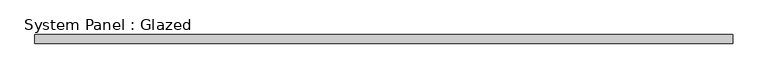
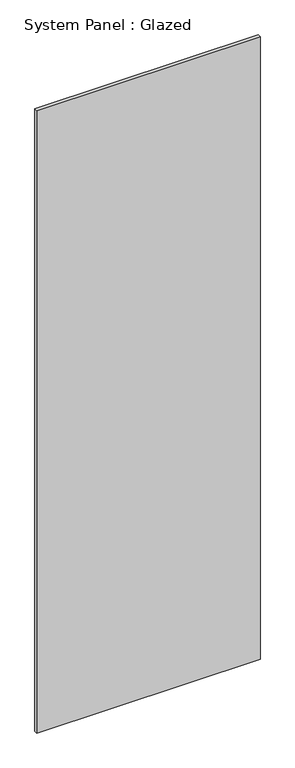
"""IFC4 building model written with IfcOpenShell, lengths in millimetres: plate geometry, System Panel : Glazed."""

from ifc_helpers import new_model, si_unit, origin, origin_with_axes, place, context, project, spatial, polyline, outline, extrude, source, transform, mapped, element, save


def system_panel_glazed_8e510788(model_context):
    return source(origin(), model_context, "Body", "SweptSolid", [
        extrude(outline(polyline([(1000.0, 19.05), (-1000.0, 19.05), (-1000.0, 44.45), (1000.0, 44.45), (1000.0, 19.05)])), origin_with_axes(), (0.0, 0.0, 1.0), 5890.0),
    ])


if __name__ == "__main__":
    model = new_model("IFC4")
    model_context = context("Model", 3, world=origin())
    ifc_project = project(units=[si_unit("LENGTHUNIT", "METRE", prefix="MILLI")], contexts=[model_context])
    site = spatial("IfcSite", under=ifc_project)
    building = spatial("IfcBuilding", under=site)
    placement = place(None, origin())
    system_panel_glazed_shape = system_panel_glazed_8e510788(model_context)
    element("IfcPlate", 1, ObjectType="System Panel : Glazed", at=placement, inside=building, context=model_context, shape_type="MappedRepresentation", body=[
        mapped(system_panel_glazed_shape, transform((0.0, 0.0, 0.0), x_axis=(1.0, 0.0, 0.0), y_axis=(0.0, 1.0, 0.0), z_axis=(0.0, 0.0, 1.0))),
    ])
    save(model, "model.ifc")
